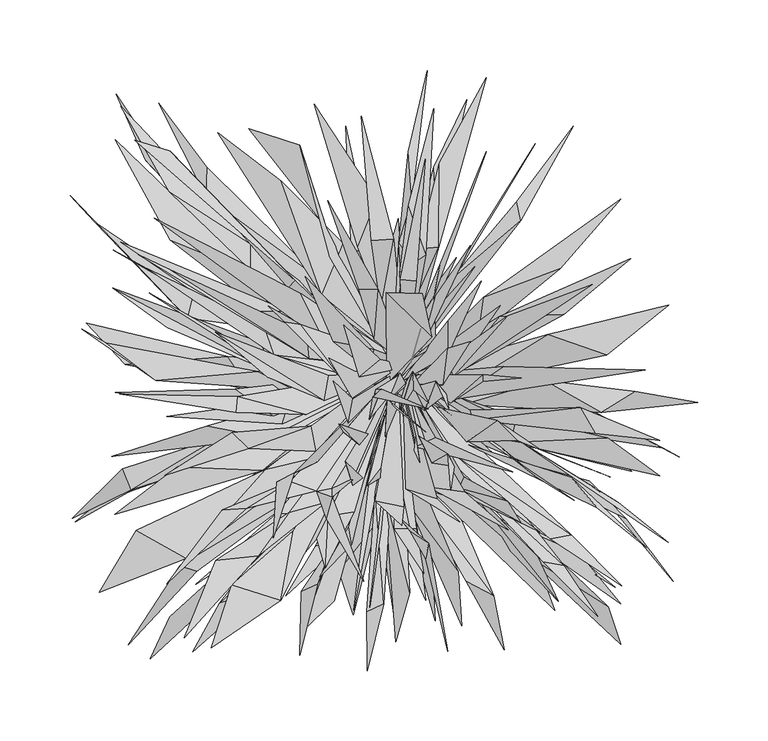
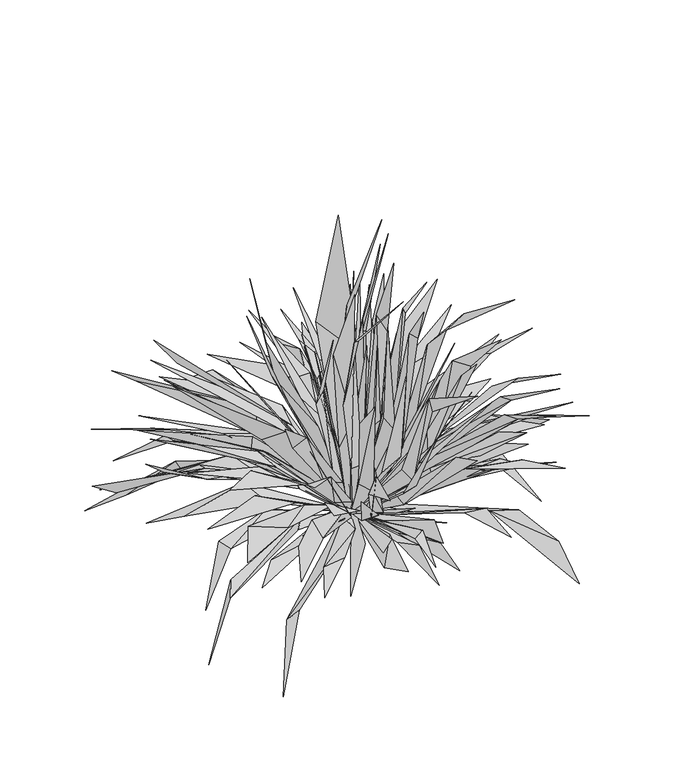
"""IFC4 building model written with IfcOpenShell, lengths in millimetres: furniture geometry."""

from ifc_helpers import new_model, si_unit, origin, place, context, project, spatial, triangles, source, transform, mapped, element, save


def furniture_98afff09(model_context):
    return source(origin(), model_context, "Body", "Tessellation", [
        triangles([(-183.4337162, -193.6833631, -56.5365563), (-134.8173341, -141.6373575, 2.6905238), (-146.910455, -137.6951654, -7.1284473), (166.0103793, -193.3489177, -38.175704), (157.2749568, -166.7486155, 1.7609894), (97.6604179, -129.1097065, 38.0726148), (-221.0316938, -106.3838226, -56.6916477), (-183.2575823, -85.3589431, 0.6588995), (-171.2216527, -65.4564924, 7.163137), (220.5661517, -21.5628008, -58.3079462), (176.194605, -13.7453819, 14.1561922), (152.3616302, -28.8614333, 24.4763199), (-192.1416876, 197.4201263, -58.8751127), (-134.8131284, 111.6651772, 34.912824), (-170.968416, 150.0577738, -18.0547539), (-54.1200024, -81.7271881, 13.9285625), (10.4683642, 6.3874724, -4.0304362), (-82.0498428, -49.0288569, 28.3603079), (-64.263433, -23.4572891, 22.2165877), (-5.5804251, -4.8612057, -13.7320459), (16.6076425, -113.2457221, 93.6879769), (8.3644984, -103.1367915, 104.5351346), (-0.995636, -1.7988384, -8.4405544), (41.8882953, -81.5943746, 79.6191136), (52.020671, -72.4042742, 85.9771103), (0.0427365, -8.5011872, -6.826252), (31.9468372, 24.7198937, 163.859693), (-0.5209446, 56.3661589, 195.6687797), (2.6540159, -12.1239727, -9.1032984), (27.0069248, -27.314655, 113.853661), (18.8938379, -10.6770395, 90.1140308), (3.403902, -0.3593117, -11.546671), (-22.1488479, -53.6061438, 26.106596), (-48.97648, -89.9855593, 70.6795157), (3.7444233, -1.5363395, -10.7734499), (-24.7213835, -122.6725722, 75.0565832), (-26.9278894, -109.9654444, 88.0356693), (5.5907964, -0.4007518, -14.205635), (-90.4671887, 11.8091254, 107.102129), (-72.0047937, -5.5333224, 121.0645762), (5.656481, -0.7633716, -17.4265798), (-41.6110775, -102.318146, 103.1939101), (-23.2042068, -99.5023567, 85.6895461), (5.8259962, 0.0763088, -16.3829628), (-30.5241338, -42.9143182, 108.8892474), (-19.4219341, -52.0319439, 144.2697913), (5.9210656, -1.9078255, -10.1839601), (38.3456927, -73.6568277, 41.4344077), (136.4062451, -128.5675339, 87.7287113), (6.2161086, -2.0968914, -11.2936795), (32.8047881, -85.387993, 63.072322), (51.4566293, -90.9869335, 77.0513107), (6.5958501, -3.1284243, -9.5090268), (88.0628206, -50.1652156, 67.126871), (91.7809621, -31.81944, 73.8562341), (6.666541, -0.3941059, -9.550095), (-12.2239586, -167.2880629, 102.8136281), (-3.8011074, -111.5999195, 59.5042713), (6.8579912, -1.24982, -11.646926), (-14.0359404, -80.9500643, 124.2501467), (-4.1914581, -68.1282952, 102.5593558), (7.0868136, -6.4376442, 1.0154247), (-93.3591997, 69.1371135, 54.6797202), (-78.7032538, 35.8280547, 44.9040224), (7.098794, -1.0107756, -8.3363059), (9.9863408, -91.0879267, 18.1411506), (32.4251647, -140.7660808, 27.9060001), (7.24566, -1.9602031, -12.2371619), (-24.2738136, -80.4572074, 106.778357), (-29.4996506, -63.526087, 118.7095964), (7.35718, -2.878353, -12.0294983), (29.2945509, -81.6117427, 75.4429105), (55.240033, -85.2795875, 108.5690544), (7.4382423, 0.0213087, -10.4384129), (-50.4654652, -123.7078923, 74.0690527), (-27.9090409, -119.0819756, 70.3729393), (7.5934529, -2.1680147, -11.9965073), (16.0834784, -94.7377675, 52.8700968), (20.092846, -69.0186978, 49.536107), (7.7900888, -0.5410612, -9.1218355), (-1.495719, -85.7874053, 33.6009264), (16.141653, -156.9769009, 72.0465789), (7.8933238, -2.0581483, -10.5139317), (-3.657937, -114.8877548, 25.279791), (8.5111856, -139.0123088, 32.0454845), (7.9472064, -1.9838065, -11.7206872), (11.9706992, -95.7336187, 115.1557254), (-8.2209707, -91.6452691, 99.8906234), (7.9630615, 0.6981045, -14.8831906), (-41.1447269, -2.396658, 83.4463237), (-44.5225822, -20.267472, 83.8283589), (7.9886317, -2.1664053, -11.6223693), (-8.1666112, -85.3059485, 35.6354725), (-2.0700693, -164.6101559, 69.9807984), (8.0471037, -3.5502316, -13.3816596), (5.3902267, -111.5033775, 80.807831), (20.9601532, -111.099841, 84.9000504), (8.0534817, -1.8092692, -11.0263823), (4.8779249, -110.7101301, 46.7974252), (27.7270685, -162.3775705, 67.6828009), (8.0680849, -1.6566217, -10.2562905), (-34.0937379, -141.4736048, 20.6121798), (-6.9472191, -106.0362602, 30.9123096), (8.2278845, -0.7511377, -8.9230836), (-11.6103889, -71.5914604, 31.1440519), (-23.4805935, -169.2470276, 74.5929487), (8.7343455, -2.4868398, -12.7922299), (20.0767519, -53.1913617, 63.9749468), (34.4349144, -46.6229082, 85.2025482), (8.7984205, -3.8467943, -12.4440488), (-39.0228634, -82.8622932, 110.1185419), (-21.7955106, -74.5464718, 104.1527088), (8.8301898, -0.2352148, -14.64811), (-47.9780444, -36.3500273, 62.1667814), (-88.1720527, -70.0944906, 99.750552), (8.9914201, -2.2513717, -12.8102896), (18.9429526, -82.8126868, 33.2926513), (75.9136666, -158.9163719, 66.6250576), (9.3803407, 0.9349584, -13.6819478), (-107.6809727, -12.1251195, 93.4442599), (-80.4741123, -31.1240246, 75.1422929), (9.7229485, -4.8148928, -14.2560895), (81.1592358, -53.6131701, 93.4837742), (91.1848502, -63.0281114, 187.0609839), (9.8370915, -0.8706004, 0.7347167), (94.994783, 107.4142648, 58.166535), (45.5658415, 65.3729719, 46.3436238), (9.9648237, -2.5960505, -13.9665008), (23.41175, -64.2296278, 123.7187656), (20.7101117, -45.8925794, 129.7989813), (10.0023146, 0.1980215, -12.9261914), (-91.4718513, 0.1459718, 77.2810023), (-64.531835, -13.3062452, 62.6138153), (10.1143717, -6.784305, -12.6890238), (43.2401296, 11.9143879, 123.90223), (43.1013117, 36.1744612, 171.1006391), (10.2974774, -2.5371163, -10.6083755), (56.4541804, -9.0264379, 40.4416312), (114.0931812, 26.5760123, 81.1458191), (10.3580353, -5.297795, -12.7575402), (47.0151308, -3.153965, 69.5492931), (42.3105942, 8.4462317, 94.0797044), (10.6744768, -5.3383114, -11.0953154), (64.71926, 25.4459236, 74.1196264), (68.5557128, 52.7732959, 92.6721414), (10.731995, -0.4975349, -12.6853585), (-89.633764, 20.9871978, 86.7411171), (-80.169943, -0.5950779, 76.2484709), (11.070728, -11.7515776, -13.9482016), (9.9245305, -27.2149517, 113.6160755), (18.4892421, 0.2523065, 211.9708915), (11.2382176, -4.7948063, -12.44846), (56.4903019, 12.0471423, 95.8811933), (40.1227463, 17.5379965, 86.1750815), (11.3034252, -3.1138361, -12.7296452), (13.5293011, -83.1898713, 74.1956256), (35.9615677, -90.0436317, 119.6974176), (11.4510055, -2.8062612, -14.4056977), (1.3212561, -21.2636594, 70.7306255), (-1.2183189, -45.9649133, 102.3491306), (11.5497118, 0.7016361, -11.2336575), (-112.7268947, 10.9143706, 61.694054), (-96.8434256, -12.7528315, 46.1571208), (11.8994713, -2.2885353, -13.0575594), (45.4578403, -22.0997026, 86.6310584), (67.9872019, -1.9826442, 223.98284), (11.9444733, -2.2164434, -12.2658608), (47.0993508, -19.4303547, 48.4966356), (82.9333644, 3.8953572, 107.1101136), (12.0382902, -3.9699822, -13.7663484), (130.7584067, -115.8867672, 156.0621493), (50.7198556, -60.7405694, 85.1597456), (12.0900278, -1.3682693, -10.3177126), (54.430126, -22.9751919, 16.2004238), (112.2777488, -6.0220661, 38.7765485), (12.1449232, -0.4300773, -12.0748285), (51.2247076, -82.4000122, 92.4499347), (54.4916412, -74.4191721, 118.3334293), (12.1498103, -4.1548907, -12.0572446), (-39.4776457, -124.0123977, 73.9391142), (-31.7453733, -114.7446222, 89.3930174), (12.2329595, -2.0488501, -12.1509139), (45.4486612, -3.3991634, 49.8799405), (79.9836535, 39.4789856, 110.3290578), (12.4131436, -0.657469, -11.9538602), (52.4516721, -89.8912065, 69.1341749), (55.3686044, -79.3387982, 75.6187128), (12.6894121, -1.3768821, -11.6430518), (60.9747166, -33.9655208, 84.9009769), (58.9250325, -27.1846279, 94.1829957), (13.0208736, -0.7430017, -12.9481854), (32.0237879, -64.7541507, 100.9210655), (22.6924421, -45.5193736, 95.8196782), (13.0887632, -10.0773577, -3.6319197), (-40.4388925, 81.7090115, 90.5934256), (-43.0008182, 102.659059, 82.0276694), (13.5089751, -4.5932383, -13.694614), (39.8632872, -9.3939902, 106.2062716), (18.5950995, -8.6262074, 73.9924903), (13.7459633, -0.5160868, -11.2922488), (63.2995383, -43.6379023, 24.1951938), (77.0426357, -36.2597031, 36.5942121), (13.9181616, -0.1175404, -11.995047), (40.3876284, -40.7581908, 34.6758971), (76.5702172, -58.9386808, 80.1899999), (14.0460131, -0.4607439, -12.0549498), (58.7370398, -33.3030158, 41.4472839), (69.2110053, -26.6427915, 60.3759568), (14.2491461, -0.1439899, -12.1524037), (47.2770334, -42.773234, 44.1689473), (95.6375036, -49.9709778, 92.9920346), (14.5058631, 0.1339167, -11.8827821), (45.2037452, -68.4730325, 40.8531114), (77.0495575, -82.1528252, 71.1899088), (17.1896223, 0.049293, -13.247848), (125.7081064, -137.5706817, 147.4277653), (41.7138328, -60.4065509, 70.8177068), (35.9054801, -1.494199, -10.2720554), (16.8300274, 27.2883484, 48.6548245), (33.2261923, 53.5379203, 144.2507245), (0.7274151, 1.5500784, -18.1021098), (-49.8985031, -56.3945183, 99.0901907), (-53.6354798, -38.3070413, 106.1672842), (3.3053161, 2.2895933, -17.5830724), (-79.8186926, 12.0122585, 108.7848207), (-26.8042687, -2.9592662, 43.145595), (-87.4796531, 33.3708533, 116.1652477), (5.8224797, 5.7153551, -17.786026), (-70.0428767, 59.491277, 76.2462363), (-16.0009265, 17.6425721, 41.407438), (7.7734587, 1.6814023, -14.7803421), (-49.2730144, -63.8527885, 96.974168), (-65.8115761, -71.595966, 209.1207202), (8.0707669, 1.0316372, -14.5462449), (-68.8145451, -19.3586499, 67.7518829), (-74.1439164, -36.9014358, 69.4229609), (8.1040861, 1.3406425, -7.7347755), (-60.014846, -184.2542511, 74.2725423), (-37.3284219, -162.6521722, 69.6809893), (8.7577702, 1.6411096, -14.2619009), (-105.8615434, -17.4307674, 116.4269141), (-57.2709456, -30.0995254, 72.5731547), (8.8270905, 2.1757335, -12.7537841), (-26.5958307, -44.6594379, 22.2878156), (-39.6798273, -91.7156409, 40.8950465), (8.8614226, 3.3594518, -13.3452122), (-68.5280255, -77.8479463, 101.8728334), (-49.9420188, -84.3861192, 97.4981458), (8.8692306, 4.1555762, -11.8172168), (-66.2426954, -112.9758076, 82.5419094), (-75.1352031, -162.2889858, 118.6514786), (9.2865227, 4.2932481, -12.0195448), (-69.1957491, -99.8100596, 88.2355572), (-43.3789474, -92.5350494, 76.297405), (9.4638465, 15.2556595, -14.7092346), (27.7889379, 14.3189877, 158.6849906), (7.7410342, -6.0862155, 48.4375049), (9.7039941, 3.3961982, -11.7878025), (-77.971785, -100.5218348, 67.229958), (-58.8808355, -101.0757254, 64.4283575), (9.7955469, 1.1193603, -12.6283171), (-34.8911888, -30.940987, 23.4816381), (-75.9474037, -85.799087, 43.8484545), (9.8093156, 1.8017143, -14.2812129), (-24.3155352, -19.0872411, 116.2736713), (-27.3899433, -36.3071566, 103.1338302), (10.5975862, 1.0135025, -10.4163882), (11.1093521, 4.787922, -11.0129713), (-85.9464073, -69.1536051, 73.0340459), (-47.254206, -60.1161571, 54.2536697), (11.3385317, 2.6043355, 1.2755991), (-56.6807381, 27.7704456, 128.2705953), (-54.9141172, 9.3667356, 113.1936631), (11.5232463, 8.715868, -15.8593654), (-93.6483717, 28.6622948, 77.4628862), (-23.712874, 7.4213891, 41.5090034), (11.8653175, 1.8087029, -10.54731), (-119.9122029, -46.9780782, 65.342664), (-79.8976122, -51.2089518, 52.6803737), (12.2141834, 8.4385872, -15.2828392), (-96.3985037, 90.8533298, 72.2422292), (-35.2298627, 30.7376541, 48.7340075), (12.4442577, 1.8091947, -10.9073523), (-127.4615785, -38.3011006, 80.0702579), (-84.0590861, -47.0233788, 61.4046458), (12.6128191, 2.0841212, -12.5839407), (27.7336837, 83.0750891, 118.8364964), (9.2543361, 70.479646, 111.9736158), (12.8629798, 8.1491472, -14.6264135), (-61.1201519, 33.5680092, 157.4474208), (-32.6623323, -3.9539039, 112.428103), (12.9643681, 1.8312335, -12.8040013), (21.0626133, 64.502985, 135.0232082), (9.3797446, 65.5589707, 138.6537824), (13.1492019, 3.3670515, -14.9066153), (49.1406324, 81.2451953, 114.7302699), (18.2123183, 39.3364707, 58.5164409), (13.3548375, 5.126819, -13.3678023), (-10.0690132, 86.5818518, 53.6118166), (-25.3691069, 85.6792452, 59.280693), (13.3637192, 6.0221552, -15.0539276), (11.6272563, 70.3670848, 115.3283438), (3.5733579, 26.5823754, 48.0231634), (13.4586693, 4.7663004, -14.2103438), (35.8998186, 100.4737727, 83.9222031), (11.3071802, 38.2796357, 33.2385303), (13.6601923, 6.0684682, -15.1565967), (36.9710923, 88.6190367, 106.8281814), (9.910881, 27.9899839, 36.1034263), (13.6848092, 4.4770986, -13.8866013), (5.0144196, 94.5028981, 105.4858305), (-4.2063595, 45.4214508, 66.4662101), (13.870657, 4.662484, -15.0450766), (-5.9666036, 58.535812, 132.3898751), (-8.9647769, 23.0929854, 59.413075), (14.003575, 3.8351416, -14.0469964), (20.2648037, 75.1101365, 91.2685116), (8.3754659, 91.4291849, 107.3094928), (5.1653983, 31.0829138, 37.9076312), (14.0345097, 5.8201253, -14.3714849), (8.1281064, 108.9423147, 73.4418335), (-3.0730963, 69.5264793, 53.7583511), (14.2078401, 6.8865868, -15.0430498), (-22.2619769, 0.324741, 122.7516189), (-24.6598116, -18.6497417, 112.143491), (14.7712232, 5.0355495, -14.0757862), (-31.0866245, 91.1807535, 68.9458234), (-46.3405263, 54.6571607, 78.7255453), (15.0929094, 6.8299025, -15.0952042), (-8.7735651, 15.9195509, 95.4112729), (-12.6683708, 1.4625341, 58.5998297), (15.1224736, 7.3855219, -14.474154), (-68.9125678, 42.703925, 88.5376009), (-42.1795838, 11.1860189, 49.0625803), (15.7784223, 4.8703996, -13.997465), (-61.050148, 55.6046365, 114.7842728), (-43.7235848, 20.6838687, 87.7304644), (16.3596868, 5.4060665, -12.1916829), (-45.1329328, 63.9154619, 44.2877128), (-57.8750965, 50.1715243, 44.0307563), (16.959548, 6.4162763, -15.6260731), (24.0830776, 30.7891227, 56.3516612), (20.0788389, 17.2608945, 74.9332305), (17.2088151, 4.1214974, -14.1580702), (-4.6095848, 8.9585187, 71.7368413), (-19.377351, -3.6605151, 110.0908183), (18.6155436, 13.0892992, -11.4795864), (-70.4230952, 68.0661942, 30.2718282), (-66.1714969, 54.0441712, 48.3393959), (18.7715298, 3.9420576, -11.9290354), (-7.9945923, -12.6149504, 96.5448883), (-12.3381618, -33.6937305, 121.347753), (27.611614, 2.4485736, -13.2326191), (13.3285526, -8.3525629, 85.0485605), (1.1867881, -20.517618, 109.9997447), (-129.163564, 107.725038, 23.7900018), (-192.6285583, 165.1509295, -12.7265749), (-153.6712887, 93.6346644, 38.2025555), (-161.9699282, 191.0454791, -2.831459), (-128.5313988, 124.8229042, 50.2550584), (-127.7997483, 145.3299374, 43.8241964), (6.60491, -183.7318266, 10.1554098), (-82.6058681, -157.1102866, 11.5791261), (-29.9893623, -95.0297918, 20.5674469), (9.0957878, 0.5975812, 8.4238051), (-23.8443612, -172.6801756, 31.008661), (34.5255725, -176.8126814, 13.8263102), (126.8248532, -137.8027987, 33.9153104), (-223.2654056, -104.1954569, 10.9457674), (-181.8883345, -83.844755, 61.0658538), (-187.6678509, -68.8626935, 63.046397), (45.1336504, -74.3012878, 20.3387431), (13.5234001, -3.6546736, 2.2664964), (-151.176837, -112.8932363, 53.885133), (-118.6869143, -163.908509, 63.9356096), (-112.5350914, -152.7962149, 91.7372965), (173.9597305, -70.8000344, 32.2960324), (153.0549019, -54.72374, 38.5347618), (19.9287527, 12.9451605, 31.3654547), (62.2647405, 74.912565, 138.8044636), (39.1224621, 48.7701427, 109.9860373), (-207.3763681, 106.3334532, 24.0969053), (-224.5402551, 125.0990774, 26.7885629), (-141.5636247, 38.260637, 73.3309073), (-136.8079194, 58.6364872, 63.3982105), (132.2358874, 174.5681963, 7.6682865), (92.3442271, 120.852071, 56.6725128), (-137.6097509, -198.8746887, 54.1879215), (-89.3016712, -156.3001616, 61.3179823), (-14.0137669, -212.106966, 56.601437), (-14.1115194, -170.3417283, 67.3402256), (83.3399893, -197.2337096, 50.8442802), (56.3136321, -148.6006407, 61.9499069), (-178.806128, -142.60058, 46.8153065), (53.0754349, -180.5251365, 146.7739626), (50.6341459, -141.994585, 128.705289), (-142.4517973, -132.4463306, 102.806243), (6.2505604, -191.8661957, 67.3423693), (79.074443, -103.8057005, 80.8329567), (101.0275452, -114.6483163, 77.9703861), (-195.0484142, -59.9086207, 75.6040789), (164.2347064, -92.5608382, 111.5708061), (195.9220709, -54.1586946, 64.9113041), (147.8954512, -28.8062768, 80.5741879), (-185.4725816, 5.1765741, 48.8363814), (19.2678578, 9.9920636, 180.2984788), (35.4880682, -24.8564247, 35.327195), (78.5634549, -34.5064466, 194.1579344), (56.9018729, -49.9181149, 127.7039965), (125.6425944, 40.6873512, 121.65591), (183.4489769, 1.5176832, 149.0038955), (155.9898245, 12.1664551, 68.1218185), (-213.4103748, 34.5881731, 31.9872508), (-117.0705885, 43.3019853, 104.7073897), (-96.6013074, 72.3793075, 77.143756), (-31.2267549, 22.8532108, 31.6457451), (-90.469387, 29.4142952, 99.9211357), (-64.9858135, 64.9014573, 106.2328507), (-38.0789643, 21.6668097, 133.7259672), (-19.8453662, 58.683323, 132.1522261), (22.0399497, 87.3602018, 110.9234982), (37.5937219, 75.7420974, 142.9633758), (53.4958262, 79.2053671, 138.2220682), (-0.5555153, 36.474704, 47.8484057), (-7.0332882, 122.4034298, 102.746699), (-20.5134758, 88.7071218, 99.8698761), (20.2806003, 94.7818418, 78.5905154), (200.247352, 47.3584692, 59.3769535), (-29.0534501, 174.3763475, 50.8296781), (-188.9658822, 188.8660881, 47.2621633), (-154.5616413, 127.9136948, 73.17528), (56.8851815, 193.4050734, 41.1055669), (33.4442863, 145.3638197, 77.8007471), (-167.9742129, -203.6392053, 87.5159245), (-153.9402585, -173.8551221, 108.8738141), (162.1882833, -153.0058678, 90.1558978), (165.9278262, -164.6552476, 88.3719315), (-71.6003761, -159.1217372, 126.4398386), (-60.7464011, -155.8024268, 130.1310922), (-49.0953318, -150.6485898, 145.3515567), (-47.6625568, -145.4226824, 151.8649127), (-135.5286552, -150.9210932, 101.298359), (-121.4661596, -133.8642401, 149.9914806), (-91.1462625, -130.6367208, 147.4613207), (-110.2154292, -151.1089633, 134.2087684), (-43.6224918, -139.2216074, 223.1405585), (26.0697001, -143.2139873, 159.8888961), (108.7342514, -140.766862, 125.4511816), (-177.8329316, -112.4274671, 104.8476427), (-120.0625571, -143.1842289, 111.1924317), (51.7333157, -106.6087634, 202.9529463), (86.2768286, -112.2031803, 179.1938769), (119.3770793, -169.4574981, 137.647839), (110.9998835, -134.824592, 156.7216839), (108.6226122, -113.5765885, 159.9425447), (115.9319316, -118.7818758, 167.6867849), (121.6534392, -162.8511608, 147.4821861), (107.2856752, -131.4921646, 134.3450882), (193.9077317, -73.9494197, 78.0980309), (156.9453439, -46.9136835, 83.0087323), (207.5250146, -60.322449, 71.0318107), (-192.8758361, -14.4681042, 116.8663223), (-156.1990595, -31.6210464, 109.0721759), (-106.8088148, -28.9336741, 121.0181401), (-148.9052188, -67.3593968, 136.3571021), (89.4755705, -70.9766224, 214.2644288), (58.024288, -51.8785285, 81.973612), (149.519916, -96.4488821, 165.3116574), (130.882082, -74.8093645, 148.536891), (137.1437274, -25.1571468, 155.3757995), (148.0716486, -43.5600228, 164.5352513), (169.4958133, -103.8923413, 117.4499077), (143.7067988, -77.4800545, 105.5000103), (-199.1495447, 20.5479554, 98.5865878), (-164.0946532, -6.2675777, 94.564168), (-194.4627123, 59.5296013, 114.9150424), (-155.7909812, 31.3802952, 112.0969368), (-121.8789524, 28.4542293, 206.7612167), (-84.7438553, -3.7447512, 149.6407117), (0.2031922, -19.3736562, 190.4138679), (9.0308191, -0.7523894, 212.4536382), (43.0008773, 16.5459661, 203.7118389), (34.5953107, -6.456837, 229.563386), (68.0520553, -6.9153755, 220.3102444), (85.4454022, 39.7126968, 161.8737858), (145.8301521, 61.9432349, 193.8022149), (-194.0658616, 86.4212057, 109.5378724), (-165.1809241, 109.1977769, 173.279376), (-30.5989385, 33.418552, 203.5728939), (48.4223941, 68.0512196, 147.9874514), (80.5127001, 47.0396569, 148.4797905), (123.2026815, 73.312817, 107.8423546), (-153.8212614, 156.8278184, 114.2920517), (-188.8886158, 92.2499469, 122.4919873), (-74.9138276, 135.6477613, 96.7525518), (-120.146391, 169.7946323, 99.7404145), (-11.1882683, 93.3809735, 107.5770546), (-61.8994239, 161.1482124, 93.8896815), (17.8025369, 121.5932776, 115.6695748), (-97.8649567, 172.829785, 83.7340968), (28.7718176, 214.1015027, 78.6536293), (15.2605181, 156.355518, 102.0930689), (70.5246333, 208.9721646, 77.7215096), (37.3834967, 148.3363945, 106.7731066), (-204.2320652, -156.741868, 95.2790044), (-124.5203882, -196.0317118, 150.1857365), (-49.5921991, -118.3601628, 191.606019), (10.5413204, -108.9137645, 224.1315591), (29.8676491, -121.763943, 197.1193816), (27.4953852, -132.9815814, 188.0008248), (199.7014914, -121.1810571, 132.916242), (203.2153031, -148.8880687, 131.4357818), (-192.9447272, -101.1634199, 148.1598882), (-116.7416297, -97.9128008, 171.9458455), (-99.9186921, -97.0947275, 178.7635434), (-78.05085, -78.2421537, 201.6954649), (-49.6161575, -84.7728961, 194.4675086), (-38.8755795, -88.7256708, 271.5607498), (-16.9029233, -75.3311577, 251.1554001), (-4.535079, -75.4281267, 247.0714198), (48.0154149, -67.1793751, 232.8848584), (43.345333, -58.2316427, 234.7788561), (85.5458412, -91.5852346, 187.6207244), (94.9172987, -106.9309276, 208.1383129), (-97.9800478, -54.3070958, 196.8807333), (-109.7970863, -43.1176806, 225.7566234), (-34.1658583, -37.1508823, 222.0317418), (-38.0834948, -6.4094664, 209.399555), (-3.8979055, -12.073249, 258.1228346), (-10.0371247, -17.872945, 235.5624747), (7.0654748, -26.2357215, 244.6831208), (106.2393819, -74.7766358, 182.2141685), (-216.3745108, 30.5327021, 109.2371005), (-189.7215228, -15.7721932, 165.1291467), (-168.4729106, 56.1456236, 173.5782858), (-72.2580259, 35.5283774, 209.6123327), (-41.3457139, 9.8390729, 206.9555181), (18.7193754, -12.3926404, 218.7524179), (42.1425721, -15.656456, 211.6532691), (59.2107163, 21.4746885, 255.8237017), (-169.9614826, 73.2330526, 171.6409585), (-154.7728566, 73.09805, 187.3737918), (-176.5621335, 83.2688999, 217.797062), (-58.0039313, 67.6575027, 214.6039975), (24.9507436, 16.8571174, 100.7793863), (59.3668796, 89.7079963, 201.0486475), (34.6720229, 54.3292011, 167.5112506), (166.0690239, 122.5502322, 106.3931243), (173.0954119, 80.3617645, 141.3839119), (-179.0481191, 164.4478656, 131.2423616), (-51.4370811, 190.1145766, 91.9009766), (15.2372127, 117.8425436, 129.5391043), (33.2162388, 186.7911602, 120.0748383), (-18.2883141, 181.789031, 100.181494), (-61.8734353, -201.2716354, 150.2406932), (-143.6960709, -188.9064926, 187.1199374), (149.8416623, -173.5410606, 164.7282628), (19.4288491, -55.7297787, 249.9643936), (184.0071005, -124.5544795, 175.3338291), (-13.0000116, -44.0970268, 294.691351), (92.5526628, -48.7262682, 216.1510869), (67.2062039, 64.519631, 212.9413264), (-42.0518527, 121.799515, 184.482017), (70.6952215, 156.3151317, 174.8686685), (27.3032185, 151.2780027, 170.9757739), (105.3446509, 162.1420289, 157.5619851), (166.803663, -151.9034188, 179.7705677), (-156.0190923, -150.4713932, 241.130031), (193.8528477, -48.6746952, 183.2933178), (29.8005929, 19.2121563, 267.0331374), (25.098443, 55.6063669, 319.760533), (-84.0413909, 46.7183602, 284.4745873), (43.3979052, -198.6107331, 241.7699447), (-80.5906659, -117.9168668, 306.0118083), (-43.1322464, -104.2141603, 283.5915925), (133.0030553, -91.2943639, 215.9890873), (-157.4723466, -73.5581373, 336.1851119), (109.3724937, -55.5743967, 235.0127445), (27.5685185, -42.7122866, 355.6219706), (29.8727746, -22.0845055, 329.1929515), (43.8352241, -26.1159772, 303.2344887), (45.5664411, -83.8958874, 276.4905906), (158.6602283, -74.4655265, 246.6339101), (29.4241896, -26.458078, 362.8354837), (95.369097, -4.3742955, 247.864758), (-16.3223742, -148.9312619, 350.4491032)], [[1, 2, 3], [4, 5, 6], [7, 8, 9], [10, 11, 12], [13, 14, 15], [3, 2, 16], [3, 16, 17], [8, 18, 19], [8, 19, 9], [20, 21, 22], [23, 24, 25], [26, 27, 28], [29, 30, 31], [32, 33, 34], [35, 36, 37], [38, 39, 40], [41, 42, 43], [44, 45, 46], [47, 48, 49], [50, 51, 52], [53, 54, 55], [56, 57, 58], [59, 60, 61], [62, 63, 64], [65, 66, 67], [68, 69, 70], [71, 72, 73], [74, 75, 76], [77, 78, 79], [80, 81, 82], [83, 84, 85], [86, 87, 88], [89, 90, 91], [92, 93, 94], [95, 96, 97], [98, 99, 100], [101, 102, 103], [104, 105, 106], [107, 108, 109], [110, 111, 112], [113, 114, 115], [116, 117, 118], [119, 120, 121], [122, 123, 124], [125, 126, 127], [128, 129, 130], [131, 132, 133], [134, 135, 136], [137, 138, 139], [140, 141, 142], [143, 144, 145], [146, 147, 148], [149, 150, 151], [152, 153, 154], [155, 156, 157], [158, 159, 160], [161, 162, 163], [164, 165, 166], [167, 168, 169], [170, 171, 172], [173, 174, 175], [176, 177, 178], [179, 180, 181], [182, 183, 184], [185, 186, 187], [188, 189, 190], [191, 192, 193], [194, 195, 196], [197, 198, 199], [200, 201, 202], [203, 204, 205], [206, 207, 208], [209, 210, 211], [212, 213, 214], [215, 216, 217], [218, 219, 220], [221, 222, 223], [224, 225, 226], [224, 227, 225], [228, 229, 230], [231, 232, 233], [234, 235, 236], [237, 238, 239], [240, 241, 242], [243, 244, 245], [246, 247, 248], [249, 250, 251], [252, 253, 254], [255, 256, 257], [258, 259, 260], [261, 262, 263], [264, 265, 266], [267, 19, 18], [268, 269, 270], [271, 272, 273], [274, 275, 276], [277, 278, 279], [280, 281, 282], [283, 284, 285], [286, 287, 288], [289, 290, 291], [292, 293, 294], [295, 296, 297], [298, 299, 300], [301, 302, 303], [304, 305, 306], [307, 308, 309], [310, 311, 312], [313, 314, 315], [316, 317, 318], [316, 318, 319], [320, 321, 322], [323, 324, 325], [326, 327, 328], [329, 330, 331], [332, 333, 334], [335, 336, 337], [338, 339, 340], [341, 342, 343], [344, 345, 346], [347, 348, 349], [350, 351, 352], [353, 354, 355], [15, 14, 356], [357, 358, 63], [359, 360, 361], [362, 85, 84], [363, 364, 365], [366, 103, 102], [367, 67, 66], [5, 368, 6], [369, 370, 371], [372, 6, 368], [372, 368, 373], [262, 374, 263], [244, 375, 245], [33, 376, 34], [201, 377, 378], [201, 378, 202], [174, 12, 175], [12, 11, 175], [379, 380, 381], [348, 356, 349], [382, 383, 384], [382, 384, 385], [356, 14, 349], [386, 387, 126], [388, 389, 375], [390, 94, 391], [392, 118, 393], [389, 245, 375], [394, 263, 374], [78, 395, 396], [78, 396, 79], [370, 278, 371], [370, 279, 278], [270, 269, 397], [93, 391, 94], [81, 398, 82], [117, 393, 118], [48, 399, 49], [213, 400, 214], [285, 284, 401], [210, 402, 211], [207, 403, 404], [207, 404, 208], [163, 162, 405], [257, 256, 406], [407, 408, 409], [183, 410, 184], [168, 411, 169], [138, 412, 139], [405, 162, 413], [334, 333, 414], [282, 281, 415], [416, 385, 384], [276, 275, 417], [230, 229, 418], [331, 330, 419], [315, 314, 420], [309, 308, 421], [219, 422, 220], [342, 423, 343], [64, 63, 358], [340, 339, 360], [424, 425, 426], [306, 305, 427], [428, 139, 412], [339, 361, 360], [300, 299, 429], [127, 126, 387], [430, 431, 281], [432, 433, 305], [434, 435, 376], [436, 214, 400], [437, 49, 399], [75, 438, 76], [180, 439, 440], [180, 440, 181], [36, 441, 37], [259, 442, 260], [253, 443, 444], [253, 444, 254], [250, 445, 251], [43, 42, 446], [96, 447, 97], [52, 51, 448], [269, 449, 397], [34, 376, 450], [156, 451, 157], [72, 452, 73], [51, 453, 448], [217, 216, 454], [24, 455, 25], [172, 171, 456], [186, 457, 187], [187, 457, 458], [459, 460, 54], [461, 404, 403], [121, 120, 462], [236, 235, 463], [242, 241, 464], [114, 465, 115], [108, 466, 109], [467, 468, 469], [189, 470, 190], [189, 471, 470], [205, 472, 473], [54, 460, 55], [132, 474, 475], [132, 475, 133], [148, 147, 476], [148, 476, 477], [91, 90, 478], [91, 478, 479], [159, 480, 160], [354, 481, 355], [199, 198, 482], [31, 30, 483], [165, 484, 166], [141, 485, 142], [141, 486, 485], [275, 487, 417], [337, 336, 488], [345, 489, 346], [343, 423, 490], [154, 153, 491], [144, 492, 145], [229, 493, 418], [333, 494, 414], [328, 327, 495], [328, 495, 496], [312, 311, 497], [415, 281, 431], [195, 498, 196], [317, 499, 318], [196, 498, 500], [427, 305, 433], [501, 502, 499], [503, 504, 308], [505, 397, 449], [435, 450, 376], [251, 445, 506], [42, 507, 446], [88, 87, 508], [22, 21, 509], [21, 510, 509], [402, 511, 211], [472, 512, 473], [115, 465, 513], [247, 514, 515], [247, 515, 248], [232, 516, 233], [111, 517, 518], [111, 518, 112], [70, 69, 519], [61, 60, 520], [192, 521, 522], [192, 522, 193], [177, 523, 178], [177, 524, 523], [223, 222, 525], [223, 525, 526], [45, 527, 46], [266, 265, 528], [352, 529, 530], [352, 351, 529], [160, 480, 531], [123, 532, 124], [475, 474, 533], [464, 241, 534], [40, 39, 535], [291, 290, 536], [325, 324, 537], [150, 538, 151], [30, 539, 483], [198, 540, 482], [225, 227, 541], [273, 542, 543], [273, 272, 542], [330, 544, 419], [545, 546, 547], [145, 492, 548], [184, 410, 549], [418, 493, 550], [426, 425, 551], [318, 499, 502], [288, 287, 552], [421, 308, 504], [287, 553, 552], [497, 311, 554], [555, 440, 439], [443, 556, 444], [216, 557, 454], [129, 558, 130], [469, 468, 559], [46, 527, 560], [409, 408, 561], [135, 562, 136], [420, 314, 563], [220, 422, 564], [294, 293, 565], [490, 423, 566], [567, 456, 171], [514, 568, 515], [471, 569, 470], [406, 256, 570], [27, 571, 28], [290, 572, 536], [510, 573, 509], [516, 574, 233], [517, 575, 518], [124, 532, 576], [525, 577, 526], [408, 578, 561], [480, 579, 531], [151, 538, 580], [539, 581, 483], [521, 582, 522], [561, 578, 583], [530, 529, 584], [166, 484, 585], [518, 575, 586]], closed=False),
    ])


if __name__ == "__main__":
    model = new_model("IFC4")
    model_context = context("Model", 3, world=origin())
    ifc_project = project(units=[si_unit("LENGTHUNIT", "METRE", prefix="MILLI")], contexts=[model_context])
    site = spatial("IfcSite", under=ifc_project)
    building = spatial("IfcBuilding", under=site)
    placement = place(None, origin())
    furniture_shape = furniture_98afff09(model_context)
    element("IfcFurniture", 1, at=placement, inside=building, context=model_context, shape_type="MappedRepresentation", body=[
        mapped(furniture_shape, transform((0.0, 0.0, 0.0), x_axis=(1.0, 0.0, 0.0), y_axis=(0.0, 1.0, 0.0), z_axis=(0.0, 0.0, 1.0))),
    ])
    save(model, "model.ifc")
